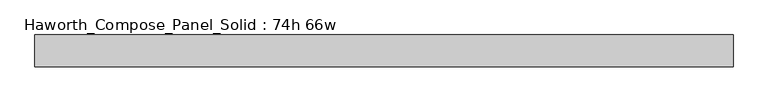
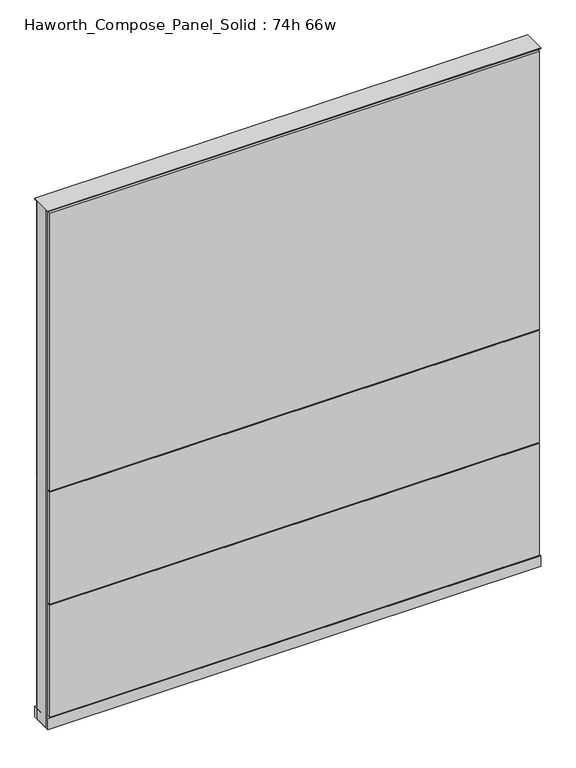
"""IFC4 building model written with IfcOpenShell, lengths in millimetres: furniture geometry, Haworth_Compose_Panel_Solid : 74h 66w."""

from ifc_helpers import new_model, si_unit, point, frame, frame_2d, origin, origin_with_axes, place, context, project, spatial, polyline, circle_curve, trimmed, segment, composite_curve, outline, extrude, source, transform, mapped, element, save


def haworth_compose_panel_solid_74h_66w_5c7ab8db(model_context):
    return source(origin(), model_context, "Body", "SweptSolid", [
        extrude(outline(composite_curve([segment(trimmed(circle_curve(frame_2d((-759.5597098, 0.0)), 12.7), [point((-772.2597098, 0.0))], [point((-746.8597098, 0.0))], False, "CARTESIAN"), True, "CONTINUOUS"), segment(trimmed(circle_curve(frame_2d((-759.5597098, 0.0)), 12.7), [point((-746.8597098, 0.0))], [point((-772.2597098, 0.0))], False, "CARTESIAN"), True, "CONTINUOUS")], self_intersect=False)), origin_with_axes(), (0.0, 0.0, 1.0), 12.7),
        extrude(outline(composite_curve([segment(trimmed(circle_curve(frame_2d((764.4402902, 0.0)), 12.7), [point((751.7402902, 0.0))], [point((777.1402902, 0.0))], False, "CARTESIAN"), True, "CONTINUOUS"), segment(trimmed(circle_curve(frame_2d((764.4402902, 0.0)), 12.7), [point((777.1402902, 0.0))], [point((751.7402902, 0.0))], False, "CARTESIAN"), True, "CONTINUOUS")], self_intersect=False)), origin_with_axes(), (0.0, 0.0, 1.0), 12.7),
        extrude(outline(polyline([(834.2902902, 38.1), (834.2902902, 25.4), (-829.4097098, 25.4), (-829.4097098, 38.1), (834.2902902, 38.1)])), frame((0.0, 0.0, 866.775), z_axis=(0.0, 0.0, 1.0), x_axis=(1.0, 0.0, 0.0)), (0.0, 0.0, 1.0), 1000.125),
        extrude(outline(polyline([(834.2902902, 38.1), (834.2902902, 25.4), (-829.4097098, 25.4), (-829.4097098, 38.1), (834.2902902, 38.1)])), frame((0.0, 0.0, 460.375), z_axis=(0.0, 0.0, 1.0), x_axis=(1.0, 0.0, 0.0)), (0.0, 0.0, 1.0), 403.225),
        extrude(outline(polyline([(834.2902902, 38.1), (834.2902902, 25.4), (-829.4097098, 25.4), (-829.4097098, 38.1), (834.2902902, 38.1)])), frame((0.0, 0.0, 53.975), z_axis=(0.0, 0.0, 1.0), x_axis=(1.0, 0.0, 0.0)), (0.0, 0.0, 1.0), 403.225),
        extrude(outline(polyline([(834.2902902, -38.1), (-829.4097098, -38.1), (-829.4097098, -25.4), (834.2902902, -25.4), (834.2902902, -38.1)])), frame((0.0, 0.0, 866.775), z_axis=(0.0, 0.0, 1.0), x_axis=(1.0, 0.0, 0.0)), (0.0, 0.0, 1.0), 1000.125),
        extrude(outline(polyline([(834.2902902, -38.1), (-829.4097098, -38.1), (-829.4097098, -25.4), (834.2902902, -25.4), (834.2902902, -38.1)])), frame((0.0, 0.0, 460.375), z_axis=(0.0, 0.0, 1.0), x_axis=(1.0, 0.0, 0.0)), (0.0, 0.0, 1.0), 403.225),
        extrude(outline(polyline([(834.2902902, -38.1), (-829.4097098, -38.1), (-829.4097098, -25.4), (834.2902902, -25.4), (834.2902902, -38.1)])), frame((0.0, 0.0, 53.975), z_axis=(0.0, 0.0, 1.0), x_axis=(1.0, 0.0, 0.0)), (0.0, 0.0, 1.0), 403.225),
        extrude(outline(polyline([(840.6402902, 25.4), (840.6402902, -25.4), (-835.7597098, -25.4), (-835.7597098, 25.4), (840.6402902, 25.4)])), frame((0.0, 0.0, 12.7), z_axis=(0.0, 0.0, 1.0), x_axis=(1.0, 0.0, 0.0)), (0.0, 0.0, 1.0), 1860.55),
        extrude(outline(polyline([(-835.7597098, -38.1), (-835.7597098, 38.1), (840.6402902, 38.1), (840.6402902, -38.1), (-835.7597098, -38.1)])), frame((0.0, 0.0, 12.7), z_axis=(0.0, 0.0, 1.0), x_axis=(1.0, 0.0, 0.0)), (0.0, 0.0, 1.0), 38.1),
        extrude(outline(polyline([(-835.7597098, -38.1), (-835.7597098, 38.1), (840.6402902, 38.1), (840.6402902, -38.1), (-835.7597098, -38.1)])), frame((0.0, 0.0, 1873.25), z_axis=(0.0, 0.0, 1.0), x_axis=(1.0, 0.0, 0.0)), (0.0, 0.0, 1.0), 3.175),
    ])


if __name__ == "__main__":
    model = new_model("IFC4")
    model_context = context("Model", 3, world=origin())
    ifc_project = project(units=[si_unit("LENGTHUNIT", "METRE", prefix="MILLI")], contexts=[model_context])
    site = spatial("IfcSite", under=ifc_project)
    building = spatial("IfcBuilding", under=site)
    placement = place(None, origin())
    haworth_compose_panel_solid_74h_66w_shape = haworth_compose_panel_solid_74h_66w_5c7ab8db(model_context)
    element("IfcFurniture", 1, ObjectType="Haworth_Compose_Panel_Solid : 74h 66w", at=placement, inside=building, context=model_context, shape_type="MappedRepresentation", body=[
        mapped(haworth_compose_panel_solid_74h_66w_shape, transform((0.0, 0.0, 0.0), x_axis=(1.0, 0.0, 0.0), y_axis=(0.0, 1.0, 0.0), z_axis=(0.0, 0.0, 1.0))),
    ])
    save(model, "model.ifc")
